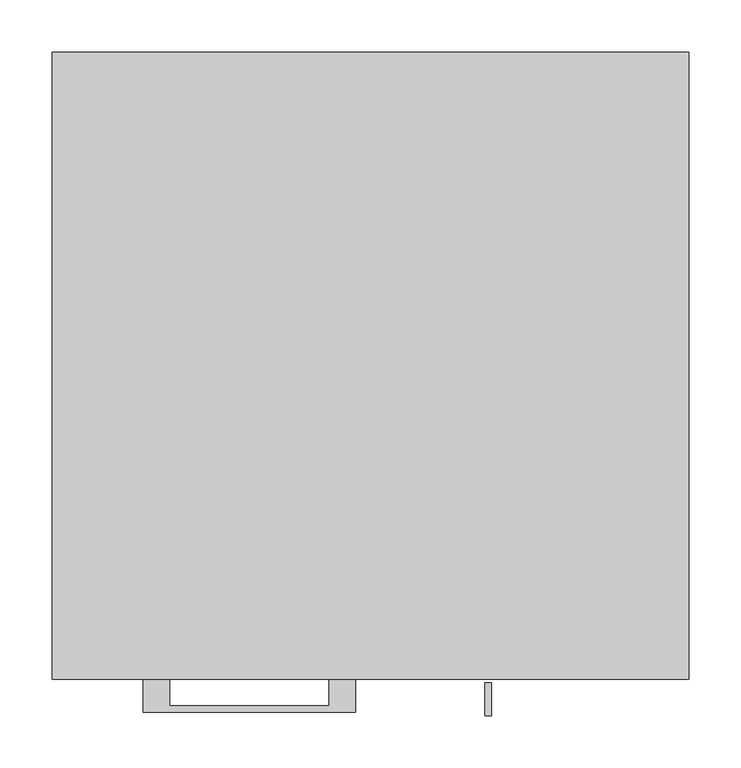
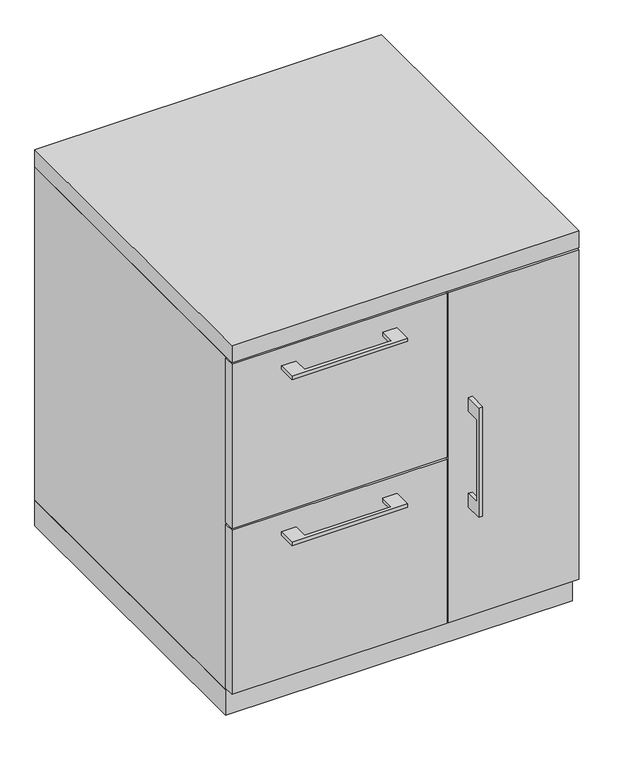
"""IFC4 building model written with IfcOpenShell, lengths in millimetres: furniture geometry."""

from ifc_helpers import new_model, si_unit, frame, origin, origin_with_axes, place, context, project, spatial, polyline, outline, extrude, source, transform, mapped, element, save


def furniture_1a078648(model_context):
    return source(origin(), model_context, "Body", "SweptSolid", [
        extrude(outline(polyline([(-192.0874818, -600.075), (-192.0874818, -625.4749758), (-39.6875, -625.4749758), (-39.6875, -600.075), (-14.2875061, -600.075), (-14.2875061, -631.8249879), (-217.4874939, -631.8249879), (-217.4874939, -600.075), (-192.0874818, -600.075)])), frame((0.0, 0.0, 623.8875506), z_axis=(0.0, 0.0, 1.0), x_axis=(1.0, 0.0, 0.0)), (0.0, 0.0, 1.0), 6.3499758),
        extrude(outline(polyline([(73.025, -581.025), (73.025, -600.075), (-304.8, -600.075), (-304.8, -581.025), (73.025, -581.025)])), frame((0.0, 0.0, 358.775), z_axis=(0.0, 0.0, 1.0), x_axis=(1.0, 0.0, 0.0)), (0.0, 0.0, 1.0), 304.8),
        extrude(outline(polyline([(-603.25, 433.3875), (-628.6499758, 433.3875), (-628.6499758, 280.9875), (-603.25, 280.9875), (-603.25, 255.5875), (-634.9999879, 255.5875), (-634.9999879, 458.7875), (-603.25, 458.7875), (-603.25, 433.3875)])), frame((109.5375121, 0.0, 0.0), z_axis=(1.0, 0.0, 0.0), x_axis=(0.0, 1.0, 0.0)), (0.0, 0.0, 1.0), 6.3499758),
        extrude(outline(polyline([(304.8, -600.075), (76.2, -600.075), (76.2, -581.025), (304.8, -581.025), (304.8, -600.075)])), frame((0.0, 0.0, 50.8), z_axis=(0.0, 0.0, 1.0), x_axis=(1.0, 0.0, 0.0)), (0.0, 0.0, 1.0), 612.775),
        extrude(outline(polyline([(-192.0874818, -600.075), (-192.0874818, -625.4749758), (-39.6875, -625.4749758), (-39.6875, -600.075), (-14.2875061, -600.075), (-14.2875061, -631.8249879), (-217.4874939, -631.8249879), (-217.4874939, -600.075), (-192.0874818, -600.075)])), frame((0.0, 0.0, 315.9125506), z_axis=(0.0, 0.0, 1.0), x_axis=(1.0, 0.0, 0.0)), (0.0, 0.0, 1.0), 6.3499758),
        extrude(outline(polyline([(73.025, -581.025), (73.025, -600.075), (-304.8, -600.075), (-304.8, -581.025), (73.025, -581.025)])), frame((0.0, 0.0, 50.8), z_axis=(0.0, 0.0, 1.0), x_axis=(1.0, 0.0, 0.0)), (0.0, 0.0, 1.0), 304.8),
        extrude(outline(polyline([(304.8, 0.0), (304.8, -581.025), (-304.8, -581.025), (-304.8, 0.0), (304.8, 0.0)])), origin_with_axes(), (0.0, 0.0, 1.0), 47.625),
        extrude(outline(polyline([(304.8, 0.0), (304.8, -600.075), (-304.8, -600.075), (-304.8, 0.0), (304.8, 0.0)])), frame((0.0, 0.0, 666.75), z_axis=(0.0, 0.0, 1.0), x_axis=(1.0, 0.0, 0.0)), (0.0, 0.0, 1.0), 31.75),
        extrude(outline(polyline([(304.8, 0.0), (304.8, -581.025), (-304.8, -581.025), (-304.8, 0.0), (304.8, 0.0)])), frame((0.0, 0.0, 47.625), z_axis=(0.0, 0.0, 1.0), x_axis=(1.0, 0.0, 0.0)), (0.0, 0.0, 1.0), 619.125),
    ])


if __name__ == "__main__":
    model = new_model("IFC4")
    model_context = context("Model", 3, world=origin())
    ifc_project = project(units=[si_unit("LENGTHUNIT", "METRE", prefix="MILLI")], contexts=[model_context])
    site = spatial("IfcSite", under=ifc_project)
    building = spatial("IfcBuilding", under=site)
    placement = place(None, origin())
    furniture_shape = furniture_1a078648(model_context)
    element("IfcFurniture", 1, at=placement, inside=building, context=model_context, shape_type="MappedRepresentation", body=[
        mapped(furniture_shape, transform((0.0, 0.0, 0.0), x_axis=(1.0, 0.0, 0.0), y_axis=(0.0, 1.0, 0.0), z_axis=(0.0, 0.0, 1.0))),
    ])
    save(model, "model.ifc")
